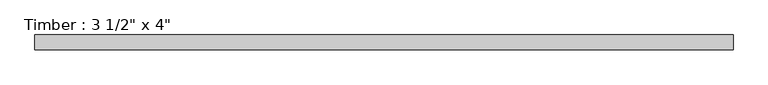
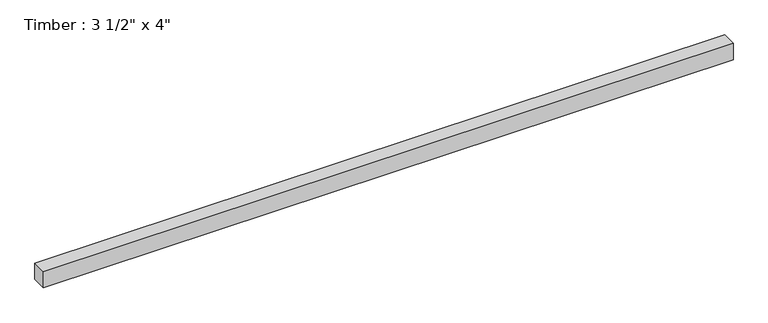
"""IFC4 building model written with IfcOpenShell, lengths in millimetres: beam geometry."""

import ifcopenshell
import ifcopenshell.guid

model = None  # the IFC model being written
_history = None  # IfcOwnerHistory: only IFC2X3 demands one
_inside = {}  # id of a spatial element -> (the spatial element, [elements in it])
_under = {}  # id of a project, library or spatial element -> (it, [spatial elements below it])
_declared = {}  # id of a project -> (the project, [libraries it declares])
_typed = {}  # id of a type object -> (the type object, [elements of that type])
_made_of = {}  # id of a material, layer set ... -> (it, [elements and type objects made of it])


def new_model(schema):
    """Start an empty IFC model of exactly this schema.

    Asked for "IFC4X3", IfcOpenShell would pick the latest addendum, in which some entities
    have other attributes; the version numbers below select the first issue.
    IFC2X3 requires an IfcOwnerHistory on every rooted entity: one is made here for all.
    """
    global model, _history
    if schema == "IFC4X3":
        model = ifcopenshell.file(schema_version=(4, 3, 0, 0))
    else:
        model = ifcopenshell.file(schema=schema)
    _inside.clear()
    _under.clear()
    _declared.clear()
    _typed.clear()
    _made_of.clear()
    _history = None
    if model.schema == "IFC2X3":
        org = make("IfcOrganization", Name="unknown")
        user = make(
            "IfcPersonAndOrganization",
            ThePerson=make("IfcPerson", FamilyName="unknown"),
            TheOrganization=org,
        )
        app = make(
            "IfcApplication",
            ApplicationDeveloper=org,
            Version="unknown",
            ApplicationFullName="unknown",
            ApplicationIdentifier="unknown",
        )
        _history = make(
            "IfcOwnerHistory",
            OwningUser=user,
            OwningApplication=app,
            ChangeAction="ADDED",
            CreationDate=0,
        )
    return model


def make(cls, **values):
    """One entity of the class cls with the attributes given. An attribute that is None is left unset."""
    return model.create_entity(
        cls, **{name: value for name, value in values.items() if value is not None}
    )


def rooted(cls, **values):
    """An entity with a GlobalId (a new one), such as an element, a storey or a relation."""
    return make(cls, GlobalId=ifcopenshell.guid.new(), OwnerHistory=_history, **values)


def si_unit(unit_type, name, prefix=None):
    """IfcSIUnit, for example si_unit("LENGTHUNIT", "METRE", prefix="MILLI")."""
    return make("IfcSIUnit", UnitType=unit_type, Prefix=prefix, Name=name)


def assignment(units):
    """IfcUnitAssignment: the units of a project."""
    return None if units is None else make("IfcUnitAssignment", Units=units)


def point(xyz):
    """IfcCartesianPoint."""
    return None if xyz is None else make("IfcCartesianPoint", Coordinates=xyz)


def direction(xyz):
    """IfcDirection."""
    return None if xyz is None else make("IfcDirection", DirectionRatios=xyz)


def frame(location, z_axis=None, x_axis=None):
    """IfcAxis2Placement3D, a coordinate frame: its origin and axes. An axis left out is left unset."""
    return make(
        "IfcAxis2Placement3D",
        Location=point(location),
        Axis=direction(z_axis),
        RefDirection=direction(x_axis),
    )


def origin():
    """The frame at (0, 0, 0) with its axes left unset."""
    return frame((0.0, 0.0, 0.0))


def place(relative_to, where):
    """IfcLocalPlacement: puts the frame where relative to a parent placement (None: the world)."""
    return make(
        "IfcLocalPlacement", PlacementRelTo=relative_to, RelativePlacement=where
    )


def context(
    kind, dimensions, precision=None, world=None, true_north=None, identifier=None
):
    """IfcGeometricRepresentationContext, for example the 3D "Model" context."""
    return make(
        "IfcGeometricRepresentationContext",
        ContextIdentifier=identifier,
        ContextType=kind,
        CoordinateSpaceDimension=dimensions,
        Precision=precision,
        WorldCoordinateSystem=world,
        TrueNorth=true_north,
    )


def project(units=None, contexts=None):
    """IfcProject with its units and contexts."""
    return rooted(
        "IfcProject",
        Name="project",
        RepresentationContexts=contexts,
        UnitsInContext=assignment(units),
    )


def spatial(cls, under=None, at=None, **own):
    """A site, building, storey or space (cls), placed at a placement, below another one or the project."""
    s = rooted(cls, ObjectPlacement=at, **own)
    if under is not None:
        _under.setdefault(under.id(), (under, []))[1].append(s)
    return s


def polyline(points):
    """IfcPolyline through the points."""
    return make("IfcPolyline", Points=[point(p) for p in points])


def outline(outer, holes=None, kind="AREA"):
    """IfcArbitraryClosedProfileDef: a profile drawn as a closed curve; with holes, ...WithVoids."""
    if holes is None:
        return make("IfcArbitraryClosedProfileDef", ProfileType=kind, OuterCurve=outer)
    return make(
        "IfcArbitraryProfileDefWithVoids",
        ProfileType=kind,
        OuterCurve=outer,
        InnerCurves=holes,
    )


def extrude(swept, where, along, depth):
    """IfcExtrudedAreaSolid: the profile swept, set in the frame where, extruded along a direction by depth."""
    return make(
        "IfcExtrudedAreaSolid",
        SweptArea=swept,
        Position=where,
        ExtrudedDirection=direction(along),
        Depth=depth,
    )


def shape(context_of_items, identifier, shape_type, items):
    """IfcShapeRepresentation: the items that make up one representation, for example the "Body"."""
    return make(
        "IfcShapeRepresentation",
        ContextOfItems=context_of_items,
        RepresentationIdentifier=identifier,
        RepresentationType=shape_type,
        Items=items,
    )


def source(mapping_origin, context_of_items, identifier, shape_type, items):
    """IfcRepresentationMap: a shape defined once, which mapped items show again and again."""
    return make(
        "IfcRepresentationMap",
        MappingOrigin=mapping_origin,
        MappedRepresentation=shape(context_of_items, identifier, shape_type, items),
    )


def transform(
    local_origin,
    x_axis=None,
    y_axis=None,
    z_axis=None,
    scale=None,
    scale2=None,
    scale3=None,
    uniform=True,
):
    """IfcCartesianTransformationOperator3D, or its non-uniform kind. x_axis, y_axis, z_axis: its Axis1, 2, 3."""
    if uniform:
        return make(
            "IfcCartesianTransformationOperator3D",
            Axis1=direction(x_axis),
            Axis2=direction(y_axis),
            LocalOrigin=point(local_origin),
            Scale=scale,
            Axis3=direction(z_axis),
        )
    return make(
        "IfcCartesianTransformationOperator3DnonUniform",
        Axis1=direction(x_axis),
        Axis2=direction(y_axis),
        LocalOrigin=point(local_origin),
        Scale=scale,
        Axis3=direction(z_axis),
        Scale2=scale2,
        Scale3=scale3,
    )


def mapped(mapping_source, mapping_target):
    """IfcMappedItem: shows the shape of a source again, moved by a transform."""
    return make(
        "IfcMappedItem", MappingSource=mapping_source, MappingTarget=mapping_target
    )


def made_of(thing, what):
    """Note that an element or type object is made of a material, layer set ...; save() writes the relation."""
    if what is not None:
        _made_of.setdefault(what.id(), (what, []))[1].append(thing)
    return thing


def element(
    cls,
    number,
    at=None,
    inside=None,
    cuts=None,
    type_object=None,
    material=None,
    context=None,
    identifier="Body",
    shape_type=None,
    held_by="IfcProductDefinitionShape",
    body=None,
    shapes=None,
    **own,
):
    """One element of the class cls, such as IfcWall. Its Tag is "e" and its number.

    at: its placement. inside: the storey or other place that contains it. cuts: it is an
    opening in that element (IfcRelVoidsElement). A single representation is given by context,
    identifier, shape_type and body (its items); several are given by shapes. held_by: the class
    of the entity that holds the representations. save() writes the other relations.
    """
    e = rooted(cls, Tag="e%d" % number, ObjectPlacement=at, **own)
    if body is not None:
        shapes = [shape(context, identifier, shape_type, body)]
    if shapes is not None:
        e.Representation = make(held_by, Representations=shapes)
    if inside is not None:
        _inside.setdefault(inside.id(), (inside, []))[1].append(e)
    if cuts is not None:
        rooted(
            "IfcRelVoidsElement", RelatingBuildingElement=cuts, RelatedOpeningElement=e
        )
    if type_object is not None:
        _typed.setdefault(type_object.id(), (type_object, []))[1].append(e)
    return made_of(e, material)


def aggregate(whole, parts):
    """IfcRelAggregates: a whole, such as a stair, and the parts it consists of."""
    return rooted("IfcRelAggregates", RelatingObject=whole, RelatedObjects=parts)


def save(model, path):
    """Write the relations noted so far, then the file.

    IfcRelAggregates (storeys below a building ...), IfcRelContainedInSpatialStructure (elements
    in a storey), IfcRelDefinesByType, IfcRelAssociatesMaterial and IfcRelDeclares: one each for
    every whole, place, type object, material and project.
    """
    for whole, parts in _under.values():
        aggregate(whole, parts)
    for where, things in _inside.values():
        rooted(
            "IfcRelContainedInSpatialStructure",
            RelatedElements=things,
            RelatingStructure=where,
        )
    for kind, things in _typed.values():
        rooted("IfcRelDefinesByType", RelatedObjects=things, RelatingType=kind)
    for what, things in _made_of.values():
        rooted("IfcRelAssociatesMaterial", RelatedObjects=things, RelatingMaterial=what)
    for by, libraries in _declared.values():
        rooted("IfcRelDeclares", RelatingContext=by, RelatedDefinitions=libraries)
    model.write(path)


def beam_5daf4f78(model_context):
    return source(origin(), model_context, "Body", "SweptSolid", [
        extrude(outline(polyline([(2058.1257836, -44.45), (-2062.2356888, -44.45), (-2062.2356888, 44.45), (2058.1257836, 44.45), (2058.1257836, -44.45)])), frame((0.0, 0.0, -50.8), z_axis=(0.0, 0.0, 1.0), x_axis=(1.0, 0.0, 0.0)), (0.0, 0.0, 1.0), 101.6),
    ])


if __name__ == "__main__":
    model = new_model("IFC4")
    model_context = context("Model", 3, world=origin())
    ifc_project = project(units=[si_unit("LENGTHUNIT", "METRE", prefix="MILLI")], contexts=[model_context])
    site = spatial("IfcSite", under=ifc_project)
    building = spatial("IfcBuilding", under=site)
    placement = place(None, origin())
    beam_shape = beam_5daf4f78(model_context)
    element("IfcBeam", 1, ObjectType="Timber : 3 1/2\" x 4\"", at=placement, inside=building, context=model_context, shape_type="MappedRepresentation", body=[
        mapped(beam_shape, transform((0.0, 0.0, 0.0), x_axis=(1.0, 0.0, 0.0), y_axis=(0.0, 1.0, 0.0), z_axis=(0.0, 0.0, 1.0))),
    ])
    save(model, "model.ifc")
